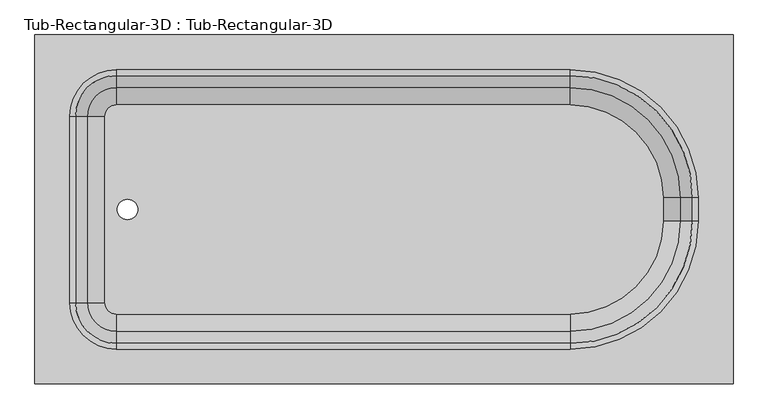
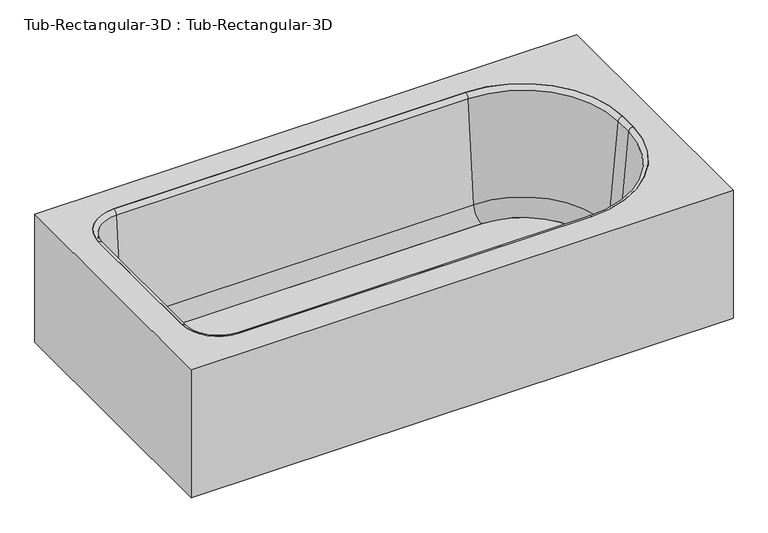
"""IFC4 building model written with IfcOpenShell, lengths in millimetres: flow terminal geometry, Tub-Rectangular-3D : Tub-Rectangular-3D."""

from ifc_helpers import new_model, si_unit, point, frame, frame_2d, origin, place, context, project, spatial, polyline, circle_curve, ellipse_curve, trimmed, segment, composite_curve, outline, extrude, source, transform, mapped, element, save
from ifc_brep_helpers import plane_surface, cylinder_surface, revolved_surface, advanced_brep


def tub_rectangular_3d_tub_rectangular_3d_2b1d4997(model_context):
    return source(origin(), model_context, "Body", "SolidModel", [
        advanced_brep(
        [(413.3970313, 854.075, 381.0), (-1110.6029687, 854.075, 381.0), (-1110.6029687, 92.075, 381.0), (413.3970313, 92.075, 381.0), (-932.8029687, 777.875, 381.0), (57.7970313, 777.875, 381.0), (337.1970313, 498.475, 381.0), (337.1970313, 447.675, 381.0), (57.7970313, 168.275, 381.0), (-932.8029687, 168.275, 381.0), (-1034.4029687, 269.875, 381.0), (-1034.4029687, 676.275, 381.0), (394.3470313, 835.025, 361.95), (394.3470313, 111.125, 361.95), (-1091.5529687, 111.125, 361.95), (-1091.5529687, 835.025, 361.95), (-932.8029687, 777.875, 361.95), (-1034.4029687, 676.275, 361.95), (-1034.4029687, 269.875, 361.95), (-932.8029687, 168.275, 361.95), (57.7970313, 168.275, 361.95), (337.1970313, 447.675, 361.95), (337.1970313, 498.475, 361.95), (57.7970313, 777.875, 361.95), (413.3970313, 854.075, 0.0), (-1110.6029687, 854.075, 0.0), (-1110.6029687, 92.075, 0.0), (413.3970313, 92.075, 0.0), (394.3470313, 835.025, 0.0), (-1091.5529687, 835.025, 0.0), (-1091.5529687, 111.125, 0.0), (394.3470313, 111.125, 0.0)],
        [
            (0, 1),
            (1, 2),
            (2, 3),
            (3, 0),
            (4, 5),
            (5, 6, circle_curve(frame((57.7970313, 498.475, 381.0), z_axis=(0.0, 0.0, -1.0), x_axis=(0.0, 1.0, 0.0)), 279.4)),
            (6, 7),
            (7, 8, circle_curve(frame((57.7970313, 447.675, 381.0), z_axis=(0.0, 0.0, -1.0), x_axis=(0.0, 1.0, 0.0)), 279.4)),
            (8, 9),
            (9, 10, circle_curve(frame((-932.8029687, 269.875, 381.0), z_axis=(0.0, 0.0, -1.0), x_axis=(0.0, 1.0, 0.0)), 101.6)),
            (10, 11),
            (11, 4, circle_curve(frame((-932.8029687, 676.275, 381.0), z_axis=(0.0, 0.0, -1.0), x_axis=(0.0, 1.0, 0.0)), 101.6)),
            (12, 13),
            (13, 14),
            (14, 15),
            (15, 12),
            (16, 17, circle_curve(frame((-932.8029687, 676.275, 361.95), z_axis=(0.0, 0.0, 1.0), x_axis=(0.0, 1.0, 0.0)), 101.6)),
            (17, 18),
            (18, 19, circle_curve(frame((-932.8029687, 269.875, 361.95), z_axis=(0.0, 0.0, 1.0), x_axis=(0.0, 1.0, 0.0)), 101.6)),
            (19, 20),
            (20, 21, circle_curve(frame((57.7970313, 447.675, 361.95), z_axis=(0.0, 0.0, 1.0), x_axis=(0.0, 1.0, 0.0)), 279.4)),
            (21, 22),
            (22, 23, circle_curve(frame((57.7970313, 498.475, 361.95), z_axis=(0.0, 0.0, 1.0), x_axis=(0.0, 1.0, 0.0)), 279.4)),
            (23, 16),
            (0, 24),
            (24, 25),
            (25, 1),
            (25, 26),
            (26, 2),
            (26, 27),
            (27, 3),
            (27, 24),
            (4, 16),
            (23, 5),
            (22, 6),
            (21, 7),
            (20, 8),
            (19, 9),
            (18, 10),
            (17, 11),
            (28, 29),
            (29, 30),
            (30, 31),
            (31, 28),
            (31, 13),
            (12, 28),
            (30, 14),
            (29, 15),
        ],
        [
            plane_surface(frame((-1110.6029687, 854.075, 381.0), z_axis=(0.0, 0.0, 1.0), x_axis=(-1.0, 0.0, 0.0))),
            plane_surface(frame((-1110.6029687, 854.075, 361.95), z_axis=(0.0, 0.0, -1.0), x_axis=(1.0, 0.0, 0.0))),
            plane_surface(frame((413.3970313, 854.075, 381.0), z_axis=(0.0, 1.0, 0.0), x_axis=(0.0, 0.0, -1.0))),
            plane_surface(frame((-1110.6029687, 854.075, 381.0), z_axis=(-1.0, 0.0, 0.0), x_axis=(0.0, 0.0, -1.0))),
            plane_surface(frame((-1110.6029687, 92.075, 381.0), z_axis=(0.0, -1.0, 0.0), x_axis=(0.0, 0.0, -1.0))),
            plane_surface(frame((413.3970313, 92.075, 381.0), z_axis=(1.0, 0.0, 0.0), x_axis=(0.0, 0.0, -1.0))),
            plane_surface(frame((-932.8029687, 777.875, 381.0), z_axis=(0.0, -1.0, 0.0), x_axis=(0.0, 0.0, -1.0))),
            revolved_surface(polyline([(57.7970313, 777.875, 361.95), (57.7970313, 777.875, 381.0)]), (57.7970313, 498.475, 381.0), (0.0, 0.0, -1.0)),
            plane_surface(frame((337.1970313, 498.475, 381.0), z_axis=(-1.0, 0.0, 0.0), x_axis=(0.0, 0.0, -1.0))),
            revolved_surface(polyline([(57.7970313, 727.075, 361.95), (57.7970313, 727.075, 381.0)]), (57.7970313, 447.675, 381.0), (0.0, 0.0, -1.0)),
            plane_surface(frame((57.7970313, 168.275, 381.0), z_axis=(0.0, 1.0, 0.0), x_axis=(0.0, 0.0, -1.0))),
            revolved_surface(polyline([(-932.8029687, 371.475, 361.95), (-932.8029687, 371.475, 381.0)]), (-932.8029687, 269.875, 381.0), (0.0, 0.0, -1.0)),
            plane_surface(frame((-1034.4029687, 269.875, 381.0), z_axis=(1.0, 0.0, 0.0), x_axis=(0.0, 0.0, -1.0))),
            revolved_surface(polyline([(-932.8029687, 777.875, 361.95), (-932.8029687, 777.875, 381.0)]), (-932.8029687, 676.275, 381.0), (0.0, 0.0, -1.0)),
            plane_surface(frame((-1110.6029687, 854.075, 0.0), z_axis=(0.0, 0.0, -1.0), x_axis=(1.0, 0.0, 0.0))),
            plane_surface(frame((394.3470313, 835.025, 361.95), z_axis=(-1.0, 0.0, 0.0), x_axis=(0.0, 0.0, -1.0))),
            plane_surface(frame((394.3470313, 111.125, 361.95), z_axis=(0.0, 1.0, 0.0), x_axis=(0.0, 0.0, -1.0))),
            plane_surface(frame((-1091.5529687, 111.125, 361.95), z_axis=(1.0, 0.0, 0.0), x_axis=(0.0, 0.0, -1.0))),
            plane_surface(frame((-1091.5529687, 835.025, 361.95), z_axis=(0.0, -1.0, 0.0), x_axis=(0.0, 0.0, -1.0))),
        ],
        [
            (0, [[1, 2, 3, 4], [5, 6, 7, 8, 9, 10, 11, 12]]),
            (1, [[13, 14, 15, 16], [17, 18, 19, 20, 21, 22, 23, 24]]),
            (2, [[-1, 25, 26, 27]]),
            (3, [[-2, -27, 28, 29]]),
            (4, [[-3, -29, 30, 31]]),
            (5, [[-25, -4, -31, 32]]),
            (6, [[-5, 33, -24, 34]]),
            (7, [[-6, -34, -23, 35]]),
            (8, [[-7, -35, -22, 36]]),
            (9, [[-8, -36, -21, 37]]),
            (10, [[-9, -37, -20, 38]]),
            (11, [[-10, -38, -19, 39]]),
            (12, [[-11, -39, -18, 40]]),
            (13, [[-12, -40, -17, -33]]),
            (14, [[-32, -30, -28, -26], [41, 42, 43, 44]]),
            (15, [[-44, 45, -13, 46]]),
            (16, [[-43, 47, -14, -45]]),
            (17, [[-42, 48, -15, -47]]),
            (18, [[-41, -46, -16, -48]]),
        ],
    ),
        extrude(outline(composite_curve([segment(trimmed(circle_curve(frame_2d((57.7970313, 498.475)), 202.7964741), [point((57.7970313, 701.2714741))], [point((260.5935054, 498.475))], False, "CARTESIAN"), True, "CONTINUOUS"), segment(polyline([(260.5935054, 498.475), (260.5935054, 447.675)]), True, "CONTINUOUS"), segment(trimmed(circle_curve(frame_2d((57.7970313, 447.675)), 202.7964741), [point((260.5935054, 447.675))], [point((57.7970313, 244.8785259))], False, "CARTESIAN"), True, "CONTINUOUS"), segment(polyline([(57.7970313, 244.8785259), (-932.8029687, 244.8785259)]), True, "CONTINUOUS"), segment(trimmed(circle_curve(frame_2d((-932.8029687, 269.875)), 24.9964741), [point((-932.8029687, 244.8785259))], [point((-957.7994428, 269.875))], False, "CARTESIAN"), True, "CONTINUOUS"), segment(polyline([(-957.7994428, 269.875), (-957.7994428, 676.275)]), True, "CONTINUOUS"), segment(trimmed(circle_curve(frame_2d((-932.8029687, 676.275)), 24.9964741), [point((-957.7994428, 676.275))], [point((-932.8029687, 701.2714741))], False, "CARTESIAN"), True, "CONTINUOUS"), segment(polyline([(-932.8029687, 701.2714741), (57.7970313, 701.2714741)]), True, "CONTINUOUS")], self_intersect=False), holes=[composite_curve([segment(trimmed(circle_curve(frame_2d((-908.510206, 473.075)), 22.225), [point((-908.510206, 495.3))], [point((-908.510206, 450.85))], True, "CARTESIAN"), True, "CONTINUOUS"), segment(trimmed(circle_curve(frame_2d((-908.510206, 473.075)), 22.225), [point((-908.510206, 450.85))], [point((-908.510206, 495.3))], True, "CARTESIAN"), True, "CONTINUOUS")], self_intersect=False)]), frame((0.0, 0.0, 16.863573), z_axis=(0.0, 0.0, 1.0), x_axis=(1.0, 0.0, 0.0)), (0.0, 0.0, 1.0), 19.05),
        advanced_brep(
        [(-995.7544608, 676.275, 70.6929392), (-932.8029687, 739.2264921, 70.6929392), (-932.8029687, 765.3970035, 369.8232535), (-1021.9249722, 676.275, 369.8232535), (-957.7994428, 676.275, 35.913573), (-932.8029687, 701.2714741, 35.913573), (-957.7994428, 676.275, 16.863573), (-932.8029687, 701.2714741, 16.863573), (-1034.4029687, 676.275, 16.863573), (-932.8029687, 777.875, 16.863573), (-1034.4029687, 676.275, 381.0), (-932.8029687, 777.875, 381.0), (-1021.9249722, 269.875, 369.8232535), (-995.7544608, 269.875, 70.6929392), (-957.7994428, 269.875, 35.913573), (-957.7994428, 269.875, 16.863573), (-1034.4029687, 269.875, 16.863573), (-1034.4029687, 269.875, 381.0), (-932.8029687, 206.9235079, 70.6929392), (-932.8029687, 180.7529965, 369.8232535), (-932.8029687, 244.8785259, 35.913573), (-932.8029687, 244.8785259, 16.863573), (-932.8029687, 168.275, 16.863573), (-932.8029687, 168.275, 381.0), (57.7970313, 180.7529965, 369.8232535), (57.7970313, 206.9235079, 70.6929392), (57.7970313, 244.8785259, 35.913573), (57.7970313, 244.8785259, 16.863573), (57.7970313, 168.275, 16.863573), (57.7970313, 168.275, 381.0), (298.5485234, 447.675, 70.6929392), (324.7190348, 447.675, 369.8232535), (260.5935054, 447.675, 35.913573), (260.5935054, 447.675, 16.863573), (337.1970313, 447.675, 16.863573), (337.1970313, 447.675, 381.0), (324.7190348, 498.475, 369.8232535), (298.5485234, 498.475, 70.6929392), (260.5935054, 498.475, 35.913573), (260.5935054, 498.475, 16.863573), (337.1970313, 498.475, 16.863573), (337.1970313, 498.475, 381.0), (57.7970313, 739.2264921, 70.6929392), (57.7970313, 765.3970035, 369.8232535), (57.7970313, 701.2714741, 35.913573), (57.7970313, 701.2714741, 16.863573), (57.7970313, 777.875, 16.863573), (57.7970313, 777.875, 381.0)],
        [
            (0, 1, circle_curve(frame((-932.8029687, 676.275, 70.6929392), z_axis=(0.0, 0.0, -1.0), x_axis=(0.0, 1.0, 0.0)), 62.9514921)),
            (1, 2),
            (2, 3, circle_curve(frame((-932.8029687, 676.275, 369.8232535), z_axis=(0.0, 0.0, 1.0), x_axis=(0.0, 1.0, 0.0)), 89.1220035)),
            (3, 0),
            (4, 5, circle_curve(frame((-932.8029687, 676.275, 35.913573), z_axis=(0.0, 0.0, -1.0), x_axis=(0.0, 1.0, 0.0)), 24.9964741)),
            (5, 1, circle_curve(frame((-932.8029687, 701.2714741, 74.013573), z_axis=(1.0, 0.0, 0.0), x_axis=(0.0, -1.0, 0.0)), 38.1)),
            (0, 4, circle_curve(frame((-957.7994428, 676.275, 74.013573), z_axis=(0.0, -1.0, 0.0), x_axis=(1.0, 0.0, 0.0)), 38.1)),
            (6, 7, circle_curve(frame((-932.8029687, 676.275, 16.863573), z_axis=(0.0, 0.0, -1.0), x_axis=(0.0, 1.0, 0.0)), 24.9964741)),
            (7, 5),
            (4, 6),
            (8, 9, circle_curve(frame((-932.8029687, 676.275, 16.863573), z_axis=(0.0, 0.0, -1.0), x_axis=(0.0, 1.0, 0.0)), 101.6)),
            (9, 7),
            (6, 8),
            (10, 11, circle_curve(frame((-932.8029687, 676.275, 381.0), z_axis=(0.0, 0.0, -1.0), x_axis=(0.0, 1.0, 0.0)), 101.6)),
            (11, 9),
            (8, 10),
            (2, 11, circle_curve(frame((-932.8029687, 777.875, 368.4462547), z_axis=(-1.0, 0.0, 0.0), x_axis=(0.0, -1.0, 0.0)), 12.5537453)),
            (10, 3, circle_curve(frame((-1034.4029687, 676.275, 368.4462547), z_axis=(0.0, 1.0, 0.0), x_axis=(1.0, 0.0, 0.0)), 12.5537453)),
            (3, 12),
            (12, 13),
            (13, 0),
            (13, 14, circle_curve(frame((-957.7994428, 269.875, 74.013573), z_axis=(0.0, -1.0, 0.0), x_axis=(1.0, 0.0, 0.0)), 38.1)),
            (14, 4),
            (14, 15),
            (15, 6),
            (15, 16),
            (16, 8),
            (16, 17),
            (17, 10),
            (17, 12, circle_curve(frame((-1034.4029687, 269.875, 368.4462547), z_axis=(0.0, 1.0, 0.0), x_axis=(1.0, 0.0, 0.0)), 12.5537453)),
            (18, 13, circle_curve(frame((-932.8029687, 269.875, 70.6929392), z_axis=(0.0, 0.0, -1.0), x_axis=(-1.0, 0.0, 0.0)), 62.9514921)),
            (12, 19, circle_curve(frame((-932.8029687, 269.875, 369.8232535), z_axis=(0.0, 0.0, 1.0), x_axis=(-1.0, 0.0, 0.0)), 89.1220035)),
            (19, 18),
            (20, 14, circle_curve(frame((-932.8029687, 269.875, 35.913573), z_axis=(0.0, 0.0, -1.0), x_axis=(-1.0, 0.0, 0.0)), 24.9964741)),
            (18, 20, circle_curve(frame((-932.8029687, 244.8785259, 74.013573), z_axis=(1.0, 0.0, 0.0), x_axis=(0.0, 1.0, 0.0)), 38.1)),
            (21, 15, circle_curve(frame((-932.8029687, 269.875, 16.863573), z_axis=(0.0, 0.0, -1.0), x_axis=(-1.0, 0.0, 0.0)), 24.9964741)),
            (20, 21),
            (22, 16, circle_curve(frame((-932.8029687, 269.875, 16.863573), z_axis=(0.0, 0.0, -1.0), x_axis=(-1.0, 0.0, 0.0)), 101.6)),
            (21, 22),
            (23, 17, circle_curve(frame((-932.8029687, 269.875, 381.0), z_axis=(0.0, 0.0, -1.0), x_axis=(-1.0, 0.0, 0.0)), 101.6)),
            (22, 23),
            (23, 19, circle_curve(frame((-932.8029687, 168.275, 368.4462547), z_axis=(-1.0, 0.0, 0.0), x_axis=(0.0, 1.0, 0.0)), 12.5537453)),
            (19, 24),
            (24, 25),
            (25, 18),
            (25, 26, circle_curve(frame((57.7970313, 244.8785259, 74.013573), z_axis=(1.0, 0.0, 0.0), x_axis=(0.0, 1.0, 0.0)), 38.1)),
            (26, 20),
            (26, 27),
            (27, 21),
            (27, 28),
            (28, 22),
            (28, 29),
            (29, 23),
            (29, 24, circle_curve(frame((57.7970313, 168.275, 368.4462547), z_axis=(-1.0, 0.0, 0.0), x_axis=(0.0, 1.0, 0.0)), 12.5537453)),
            (30, 25, circle_curve(frame((57.7970313, 447.675, 70.6929392), z_axis=(0.0, 0.0, -1.0), x_axis=(0.0, -1.0, 0.0)), 240.7514921)),
            (24, 31, circle_curve(frame((57.7970313, 447.675, 369.8232535), z_axis=(0.0, 0.0, 1.0), x_axis=(0.0, -1.0, 0.0)), 266.9220035)),
            (31, 30),
            (32, 26, circle_curve(frame((57.7970313, 447.675, 35.913573), z_axis=(0.0, 0.0, -1.0), x_axis=(0.0, -1.0, 0.0)), 202.7964741)),
            (30, 32, circle_curve(frame((260.5935054, 447.675, 74.013573), z_axis=(0.0, 1.0, 0.0), x_axis=(-1.0, 0.0, 0.0)), 38.1)),
            (33, 27, circle_curve(frame((57.7970313, 447.675, 16.863573), z_axis=(0.0, 0.0, -1.0), x_axis=(0.0, -1.0, 0.0)), 202.7964741)),
            (32, 33),
            (34, 28, circle_curve(frame((57.7970313, 447.675, 16.863573), z_axis=(0.0, 0.0, -1.0), x_axis=(0.0, -1.0, 0.0)), 279.4)),
            (33, 34),
            (35, 29, circle_curve(frame((57.7970313, 447.675, 381.0), z_axis=(0.0, 0.0, -1.0), x_axis=(0.0, -1.0, 0.0)), 279.4)),
            (34, 35),
            (35, 31, circle_curve(frame((337.1970313, 447.675, 368.4462547), z_axis=(0.0, -1.0, 0.0), x_axis=(-1.0, 0.0, 0.0)), 12.5537453)),
            (31, 36),
            (36, 37),
            (37, 30),
            (37, 38, circle_curve(frame((260.5935054, 498.475, 74.013573), z_axis=(0.0, 1.0, 0.0), x_axis=(-1.0, 0.0, 0.0)), 38.1)),
            (38, 32),
            (38, 39),
            (39, 33),
            (39, 40),
            (40, 34),
            (40, 41),
            (41, 35),
            (41, 36, circle_curve(frame((337.1970313, 498.475, 368.4462547), z_axis=(0.0, -1.0, 0.0), x_axis=(-1.0, 0.0, 0.0)), 12.5537453)),
            (42, 37, circle_curve(frame((57.7970313, 498.475, 70.6929392), z_axis=(0.0, 0.0, -1.0), x_axis=(1.0, 0.0, 0.0)), 240.7514921)),
            (36, 43, circle_curve(frame((57.7970313, 498.475, 369.8232535), z_axis=(0.0, 0.0, 1.0), x_axis=(1.0, 0.0, 0.0)), 266.9220035)),
            (43, 42),
            (44, 38, circle_curve(frame((57.7970313, 498.475, 35.913573), z_axis=(0.0, 0.0, -1.0), x_axis=(1.0, 0.0, 0.0)), 202.7964741)),
            (42, 44, circle_curve(frame((57.7970313, 701.2714741, 74.013573), z_axis=(-1.0, 0.0, 0.0), x_axis=(0.0, -1.0, 0.0)), 38.1)),
            (45, 39, circle_curve(frame((57.7970313, 498.475, 16.863573), z_axis=(0.0, 0.0, -1.0), x_axis=(1.0, 0.0, 0.0)), 202.7964741)),
            (44, 45),
            (46, 40, circle_curve(frame((57.7970313, 498.475, 16.863573), z_axis=(0.0, 0.0, -1.0), x_axis=(1.0, 0.0, 0.0)), 279.4)),
            (45, 46),
            (47, 41, circle_curve(frame((57.7970313, 498.475, 381.0), z_axis=(0.0, 0.0, -1.0), x_axis=(1.0, 0.0, 0.0)), 279.4)),
            (46, 47),
            (47, 43, circle_curve(frame((57.7970313, 777.875, 368.4462547), z_axis=(1.0, 0.0, 0.0), x_axis=(0.0, -1.0, 0.0)), 12.5537453)),
            (43, 2),
            (1, 42),
            (5, 44),
            (7, 45),
            (9, 46),
            (11, 47),
        ],
        [
            revolved_surface(polyline([(-932.8029687, 765.3970035, 369.8232535), (-932.8029687, 739.2264921, 70.6929392)]), (-932.8029687, 676.275, 381.0), (0.0, 0.0, 1.0)),
            revolved_surface(trimmed(ellipse_curve(frame((-932.8029687, 701.2714741, 74.013573), z_axis=(-1.0, 0.0, 0.0), x_axis=(0.0, -1.0, 0.0)), 38.1, 38.1), [point((-932.8029687, 739.2264921, 70.6929392))], [point((-932.8029687, 701.2714741, 35.913573))], True, "CARTESIAN"), (-932.8029687, 676.275, 381.0), (0.0, 0.0, 1.0)),
            revolved_surface(polyline([(-932.8029687, 701.2714741, 35.913572999999985), (-932.8029687, 701.2714741, 16.863572999999974)]), (-932.8029687, 676.275, 381.0), (0.0, 0.0, 1.0)),
            plane_surface(frame((-932.8029687, 676.275, 16.863573), z_axis=(0.0, 0.0, -1.0), x_axis=(0.0, 1.0, 0.0))),
            cylinder_surface(frame((-932.8029687, 676.275, 381.0), z_axis=(0.0, 0.0, 1.0), x_axis=(0.0, 1.0, 0.0)), 101.6),
            revolved_surface(trimmed(ellipse_curve(frame((-932.8029687, 777.875, 368.4462547), z_axis=(1.0, 0.0, 0.0), x_axis=(0.0, -1.0, 0.0)), 12.5537453, 12.5537453), [point((-932.8029687, 777.875, 381.0))], [point((-932.8029687, 765.3970035, 369.8232535))], True, "CARTESIAN"), (-932.8029687, 676.275, 381.0), (0.0, 0.0, 1.0)),
            plane_surface(frame((-1021.9249722, 676.275, 369.8232535), z_axis=(0.9961946980917458, 0.0, 0.08715574274765589), x_axis=(0.0, -1.0, 0.0))),
            revolved_surface(polyline([(-919.6994427999999, 269.875, 74.013573), (-919.6994427999999, 676.275, 74.013573)]), (-957.7994428, 676.275, 74.013573), (0.0, -1.0, 0.0)),
            plane_surface(frame((-957.7994428, 676.275, 35.913573), z_axis=(1.0, 0.0, 0.0), x_axis=(0.0, -1.0, 0.0))),
            plane_surface(frame((-957.7994428, 676.275, 16.863573), z_axis=(0.0, 0.0, -1.0), x_axis=(0.0, -1.0, 0.0))),
            plane_surface(frame((-1034.4029687, 676.275, 16.863573), z_axis=(-1.0, 0.0, 0.0), x_axis=(0.0, -1.0, 0.0))),
            cylinder_surface(frame((-1034.4029687, 676.275, 368.4462547), z_axis=(0.0, 1.0, 0.0), x_axis=(1.0, 0.0, 0.0)), 12.5537453),
            revolved_surface(polyline([(-1021.9249722, 269.875, 369.8232535), (-995.7544608, 269.875, 70.6929392)]), (-932.8029687, 269.875, 381.0), (0.0, 0.0, 1.0)),
            revolved_surface(trimmed(ellipse_curve(frame((-957.7994428, 269.875, 74.013573), z_axis=(0.0, -1.0, 0.0), x_axis=(1.0, 0.0, 0.0)), 38.1, 38.1), [point((-995.7544608, 269.875, 70.6929392))], [point((-957.7994428, 269.875, 35.913573))], True, "CARTESIAN"), (-932.8029687, 269.875, 381.0), (0.0, 0.0, 1.0)),
            revolved_surface(polyline([(-957.7994428, 269.875, 35.913572999999985), (-957.7994428, 269.875, 16.863572999999974)]), (-932.8029687, 269.875, 381.0), (0.0, 0.0, 1.0)),
            plane_surface(frame((-932.8029687, 269.875, 16.863573), z_axis=(0.0, 0.0, -1.0), x_axis=(-1.0, 0.0, 0.0))),
            cylinder_surface(frame((-932.8029687, 269.875, 381.0), z_axis=(0.0, 0.0, 1.0), x_axis=(-1.0, 0.0, 0.0)), 101.6),
            revolved_surface(trimmed(ellipse_curve(frame((-1034.4029687, 269.875, 368.4462547), z_axis=(0.0, 1.0, 0.0), x_axis=(1.0, 0.0, 0.0)), 12.5537453, 12.5537453), [point((-1034.4029687, 269.875, 381.0))], [point((-1021.9249722, 269.875, 369.8232535))], True, "CARTESIAN"), (-932.8029687, 269.875, 381.0), (0.0, 0.0, 1.0)),
            plane_surface(frame((-932.8029687, 180.7529965, 369.8232535), z_axis=(0.0, 0.9961946980917461, 0.08715574274765266), x_axis=(1.0, 0.0, 0.0))),
            revolved_surface(polyline([(57.79703129999996, 282.9785259, 74.013573), (-932.8029687, 282.9785259, 74.013573)]), (-932.8029687, 244.8785259, 74.013573), (1.0, 0.0, 0.0)),
            plane_surface(frame((-932.8029687, 244.8785259, 35.913573), z_axis=(0.0, 1.0, 0.0), x_axis=(1.0, 0.0, 0.0))),
            plane_surface(frame((-932.8029687, 244.8785259, 16.863573), z_axis=(0.0, 0.0, -1.0), x_axis=(1.0, 0.0, 0.0))),
            plane_surface(frame((-932.8029687, 168.275, 16.863573), z_axis=(0.0, -1.0, 0.0), x_axis=(1.0, 0.0, 0.0))),
            cylinder_surface(frame((-932.8029687, 168.275, 368.4462547), z_axis=(-1.0, 0.0, 0.0), x_axis=(0.0, 1.0, 0.0)), 12.5537453),
            revolved_surface(polyline([(57.7970313, 180.7529965, 369.8232535), (57.7970313, 206.9235079, 70.6929392)]), (57.7970313, 447.675, 381.0), (0.0, 0.0, 1.0)),
            revolved_surface(trimmed(ellipse_curve(frame((57.7970313, 244.8785259, 74.013573), z_axis=(1.0, 0.0, 0.0), x_axis=(0.0, 1.0, 0.0)), 38.1, 38.1), [point((57.7970313, 206.9235079, 70.6929392))], [point((57.7970313, 244.8785259, 35.913573))], True, "CARTESIAN"), (57.7970313, 447.675, 381.0), (0.0, 0.0, 1.0)),
            revolved_surface(polyline([(57.7970313, 244.8785259, 35.913572999999985), (57.7970313, 244.8785259, 16.863572999999974)]), (57.7970313, 447.675, 381.0), (0.0, 0.0, 1.0)),
            plane_surface(frame((57.7970313, 447.675, 16.863573), z_axis=(0.0, 0.0, -1.0), x_axis=(0.0, -1.0, 0.0))),
            cylinder_surface(frame((57.7970313, 447.675, 381.0), z_axis=(0.0, 0.0, 1.0), x_axis=(0.0, -1.0, 0.0)), 279.4),
            revolved_surface(trimmed(ellipse_curve(frame((57.7970313, 168.275, 368.4462547), z_axis=(-1.0, 0.0, 0.0), x_axis=(0.0, 1.0, 0.0)), 12.5537453, 12.5537453), [point((57.7970313, 168.275, 381.0))], [point((57.7970313, 180.7529965, 369.8232535))], True, "CARTESIAN"), (57.7970313, 447.675, 381.0), (0.0, 0.0, 1.0)),
            plane_surface(frame((324.7190348, 447.675, 369.8232535), z_axis=(-0.9961946980917464, 0.0, 0.08715574274764942), x_axis=(0.0, 1.0, 0.0))),
            revolved_surface(polyline([(222.49350540000003, 498.475, 74.013573), (222.49350540000003, 447.675, 74.013573)]), (260.5935054, 447.675, 74.013573), (0.0, 1.0, 0.0)),
            plane_surface(frame((260.5935054, 447.675, 35.913573), z_axis=(-1.0, 0.0, 0.0), x_axis=(0.0, 1.0, 0.0))),
            plane_surface(frame((260.5935054, 447.675, 16.863573), z_axis=(0.0, 0.0, -1.0), x_axis=(0.0, 1.0, 0.0))),
            plane_surface(frame((337.1970313, 447.675, 16.863573), z_axis=(1.0, 0.0, 0.0), x_axis=(0.0, 1.0, 0.0))),
            cylinder_surface(frame((337.1970313, 447.675, 368.4462547), z_axis=(0.0, -1.0, 0.0), x_axis=(-1.0, 0.0, 0.0)), 12.5537453),
            revolved_surface(polyline([(324.7190348, 498.475, 369.8232535), (298.5485234, 498.475, 70.6929392)]), (57.7970313, 498.475, 381.0), (0.0, 0.0, 1.0)),
            revolved_surface(trimmed(ellipse_curve(frame((260.5935054, 498.475, 74.013573), z_axis=(0.0, 1.0, 0.0), x_axis=(-1.0, 0.0, 0.0)), 38.1, 38.1), [point((298.5485234, 498.475, 70.6929392))], [point((260.5935054, 498.475, 35.913573))], True, "CARTESIAN"), (57.7970313, 498.475, 381.0), (0.0, 0.0, 1.0)),
            revolved_surface(polyline([(260.5935054, 498.475, 35.913572999999985), (260.5935054, 498.475, 16.863572999999974)]), (57.7970313, 498.475, 381.0), (0.0, 0.0, 1.0)),
            plane_surface(frame((57.7970313, 498.475, 16.863573), z_axis=(0.0, 0.0, -1.0), x_axis=(1.0, 0.0, 0.0))),
            cylinder_surface(frame((57.7970313, 498.475, 381.0), z_axis=(0.0, 0.0, 1.0), x_axis=(1.0, 0.0, 0.0)), 279.4),
            revolved_surface(trimmed(ellipse_curve(frame((337.1970313, 498.475, 368.4462547), z_axis=(0.0, -1.0, 0.0), x_axis=(-1.0, 0.0, 0.0)), 12.5537453, 12.5537453), [point((337.1970313, 498.475, 381.0))], [point((324.7190348, 498.475, 369.8232535))], True, "CARTESIAN"), (57.7970313, 498.475, 381.0), (0.0, 0.0, 1.0)),
            plane_surface(frame((57.7970313, 765.3970035, 369.8232535), z_axis=(0.0, -0.9961946980917461, 0.08715574274765266), x_axis=(-1.0, 0.0, 0.0))),
            revolved_surface(polyline([(-932.8029687, 663.1714741, 74.013573), (57.7970313, 663.1714741, 74.013573)]), (57.7970313, 701.2714741, 74.013573), (-1.0, 0.0, 0.0)),
            plane_surface(frame((57.7970313, 701.2714741, 35.913573), z_axis=(0.0, -1.0, 0.0), x_axis=(-1.0, 0.0, 0.0))),
            plane_surface(frame((57.7970313, 701.2714741, 16.863573), z_axis=(0.0, 0.0, -1.0), x_axis=(-1.0, 0.0, 0.0))),
            plane_surface(frame((57.7970313, 777.875, 16.863573), z_axis=(0.0, 1.0, 0.0), x_axis=(-1.0, 0.0, 0.0))),
            cylinder_surface(frame((57.7970313, 777.875, 368.4462547), z_axis=(1.0, 0.0, 0.0), x_axis=(0.0, -1.0, 0.0)), 12.5537453),
        ],
        [
            (0, [[1, 2, 3, 4]]),
            (1, [[5, 6, -1, 7]]),
            (2, [[8, 9, -5, 10]]),
            (3, [[11, 12, -8, 13]]),
            (4, [[14, 15, -11, 16]]),
            (5, [[-3, 17, -14, 18]]),
            (6, [[-4, 19, 20, 21]]),
            (7, [[-7, -21, 22, 23]]),
            (8, [[-10, -23, 24, 25]]),
            (9, [[-13, -25, 26, 27]]),
            (10, [[-16, -27, 28, 29]]),
            (11, [[-18, -29, 30, -19]]),
            (12, [[31, -20, 32, 33]]),
            (13, [[34, -22, -31, 35]]),
            (14, [[36, -24, -34, 37]]),
            (15, [[38, -26, -36, 39]]),
            (16, [[40, -28, -38, 41]]),
            (17, [[-32, -30, -40, 42]]),
            (18, [[-33, 43, 44, 45]]),
            (19, [[-35, -45, 46, 47]]),
            (20, [[-37, -47, 48, 49]]),
            (21, [[-39, -49, 50, 51]]),
            (22, [[-41, -51, 52, 53]]),
            (23, [[-42, -53, 54, -43]]),
            (24, [[55, -44, 56, 57]]),
            (25, [[58, -46, -55, 59]]),
            (26, [[60, -48, -58, 61]]),
            (27, [[62, -50, -60, 63]]),
            (28, [[64, -52, -62, 65]]),
            (29, [[-56, -54, -64, 66]]),
            (30, [[-57, 67, 68, 69]]),
            (31, [[-59, -69, 70, 71]]),
            (32, [[-61, -71, 72, 73]]),
            (33, [[-63, -73, 74, 75]]),
            (34, [[-65, -75, 76, 77]]),
            (35, [[-66, -77, 78, -67]]),
            (36, [[79, -68, 80, 81]]),
            (37, [[82, -70, -79, 83]]),
            (38, [[84, -72, -82, 85]]),
            (39, [[86, -74, -84, 87]]),
            (40, [[88, -76, -86, 89]]),
            (41, [[-80, -78, -88, 90]]),
            (42, [[-81, 91, -2, 92]]),
            (43, [[-83, -92, -6, 93]]),
            (44, [[-85, -93, -9, 94]]),
            (45, [[-87, -94, -12, 95]]),
            (46, [[-89, -95, -15, 96]]),
            (47, [[-90, -96, -17, -91]]),
        ],
    ),
    ])


if __name__ == "__main__":
    model = new_model("IFC4")
    model_context = context("Model", 3, world=origin())
    ifc_project = project(units=[si_unit("LENGTHUNIT", "METRE", prefix="MILLI")], contexts=[model_context])
    site = spatial("IfcSite", under=ifc_project)
    building = spatial("IfcBuilding", under=site)
    placement = place(None, origin())
    tub_rectangular_3d_tub_rectangular_3d_shape = tub_rectangular_3d_tub_rectangular_3d_2b1d4997(model_context)
    element("IfcFlowTerminal", 1, ObjectType="Tub-Rectangular-3D : Tub-Rectangular-3D", at=placement, inside=building, context=model_context, shape_type="MappedRepresentation", body=[
        mapped(tub_rectangular_3d_tub_rectangular_3d_shape, transform((0.0, 0.0, 0.0), x_axis=(1.0, 0.0, 0.0), y_axis=(0.0, 1.0, 0.0), z_axis=(0.0, 0.0, 1.0))),
    ])
    save(model, "model.ifc")
